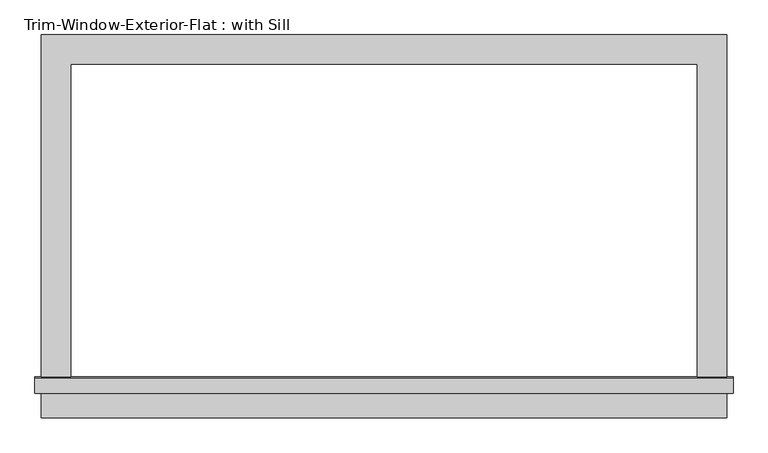
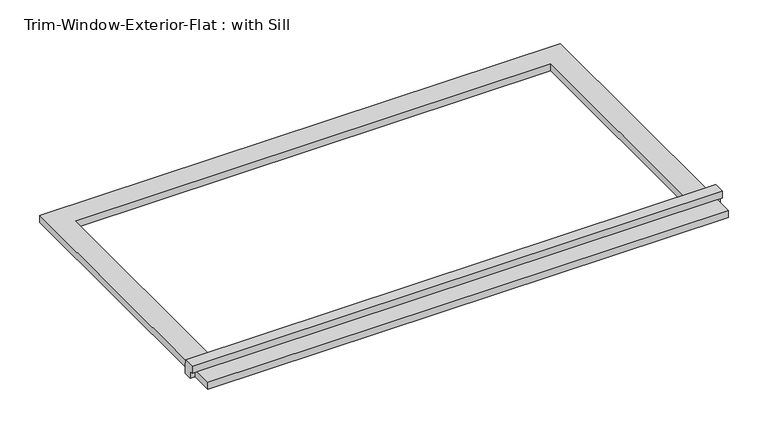
"""IFC4 building model written with IfcOpenShell, lengths in millimetres: proxy geometry, Trim-Window-Exterior-Flat : with Sill."""

from ifc_helpers import new_model, si_unit, frame, origin, origin_with_axes, place, context, project, spatial, polyline, outline, extrude, source, transform, mapped, element, save


def trim_window_exterior_flat_with_sill_a633738d(model_context):
    return source(origin(), model_context, "Body", "SweptSolid", [
        extrude(outline(polyline([(666.75, -631.7823709), (666.75, -688.9323709), (-666.75, -688.9323709), (-666.75, -631.7823709), (666.75, -631.7823709)])), origin_with_axes(), (0.0, 0.0, 1.0), 19.05),
        extrude(outline(polyline([(-641.35, 38.1), (-612.0580645, 38.1), (-609.6, 19.05), (-609.6, 0.0), (-631.7823709, 0.0), (-631.7823709, 19.05), (-641.35, 19.05), (-641.35, 38.1)])), frame((-679.45, 0.0, 0.0), z_axis=(1.0, 0.0, 0.0), x_axis=(0.0, 1.0, 0.0)), (0.0, 0.0, 1.0), 1358.9),
        extrude(outline(polyline([(-666.75, 57.15), (666.75, 57.15), (666.75, -609.6), (609.6, -609.6), (609.6, 0.0), (-609.6, 0.0), (-609.6, -609.6), (-666.75, -609.6), (-666.75, 57.15)])), origin_with_axes(), (0.0, 0.0, 1.0), 19.05),
    ])


if __name__ == "__main__":
    model = new_model("IFC4")
    model_context = context("Model", 3, world=origin())
    ifc_project = project(units=[si_unit("LENGTHUNIT", "METRE", prefix="MILLI")], contexts=[model_context])
    site = spatial("IfcSite", under=ifc_project)
    building = spatial("IfcBuilding", under=site)
    placement = place(None, origin())
    trim_window_exterior_flat_with_sill_shape = trim_window_exterior_flat_with_sill_a633738d(model_context)
    element("IfcBuildingElementProxy", 1, Name="Trim-Window-Exterior-Flat : with Sill", ObjectType="Trim-Window-Exterior-Flat : with Sill", at=placement, inside=building, context=model_context, shape_type="MappedRepresentation", body=[
        mapped(trim_window_exterior_flat_with_sill_shape, transform((0.0, 0.0, 0.0), x_axis=(1.0, 0.0, 0.0), y_axis=(0.0, 1.0, 0.0), z_axis=(0.0, 0.0, 1.0))),
    ])
    save(model, "model.ifc")
